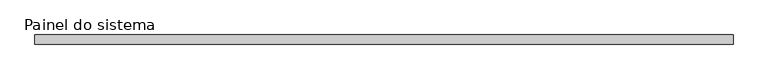
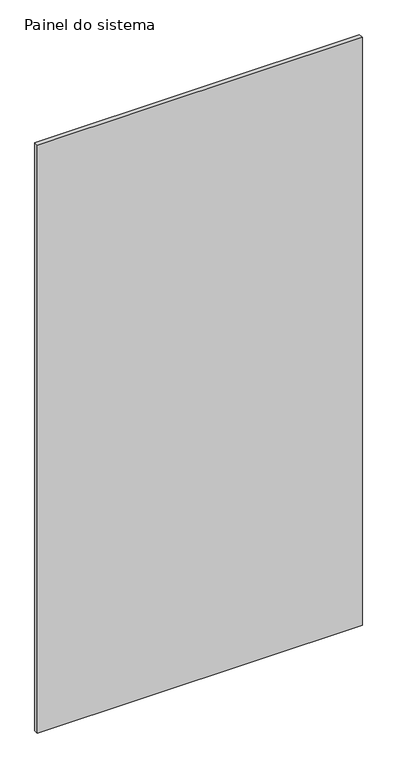
"""IFC4 building model written with IfcOpenShell, lengths in millimetres: plate geometry, Painel do sistema."""

from ifc_helpers import new_model, si_unit, origin, origin_with_axes, place, context, project, spatial, polyline, outline, extrude, source, transform, mapped, element, save


def painel_do_sistema_639577e6(model_context):
    return source(origin(), model_context, "Body", "SweptSolid", [
        extrude(outline(polyline([(915.0000002, -49.5), (-915.0000002, -49.5), (-915.0000002, -24.5), (915.0000002, -24.5), (915.0000002, -49.5)])), origin_with_axes(), (0.0, 0.0, 1.0), 3500.0),
    ])


if __name__ == "__main__":
    model = new_model("IFC4")
    model_context = context("Model", 3, world=origin())
    ifc_project = project(units=[si_unit("LENGTHUNIT", "METRE", prefix="MILLI")], contexts=[model_context])
    site = spatial("IfcSite", under=ifc_project)
    building = spatial("IfcBuilding", under=site)
    placement = place(None, origin())
    painel_do_sistema_shape = painel_do_sistema_639577e6(model_context)
    element("IfcPlate", 1, ObjectType="Painel do sistema", at=placement, inside=building, context=model_context, shape_type="MappedRepresentation", body=[
        mapped(painel_do_sistema_shape, transform((0.0, 0.0, 0.0), x_axis=(1.0, 0.0, 0.0), y_axis=(0.0, 1.0, 0.0), z_axis=(0.0, 0.0, 1.0))),
    ])
    save(model, "model.ifc")
